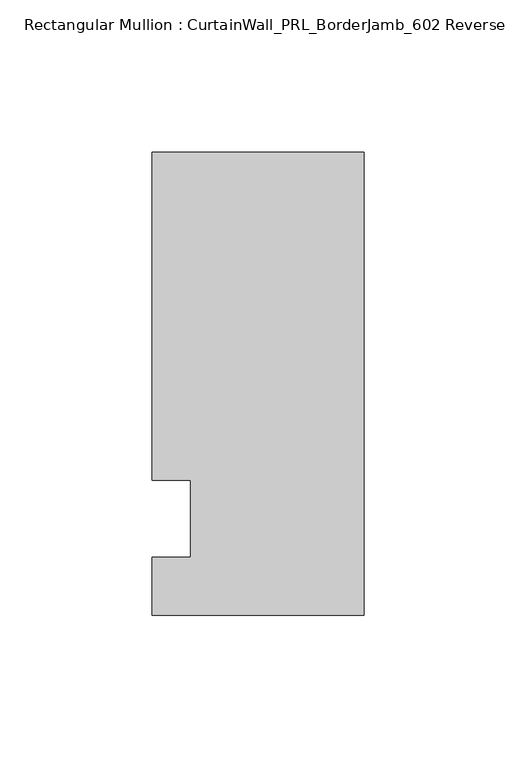
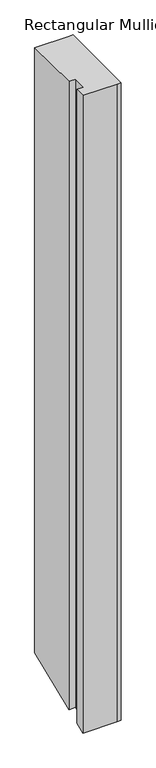
"""IFC4 building model written with IfcOpenShell, lengths in millimetres: member geometry, Rectangular Mullion : CurtainWall_PRL_BorderJamb_602 Reverse."""

from ifc_helpers import new_model, si_unit, origin, place, context, project, spatial, faceted_brep, source, transform, mapped, element, save


def rectangular_mullion_curtainwall_prl_borderjamb_602_reverse_f491021a(model_context):
    return source(origin(), model_context, "Body", "Brep", [
        faceted_brep([(-57.15, 12.7, 0.0), (-57.15, -12.7, 0.0), (-69.85, -12.7, 0.0), (-69.85, -31.75, 0.0), (-7.3958824, -31.75, 0.0), (0.0, -31.75, 0.0), (0.0, 120.65, 0.0), (-6.35, 120.65, 0.0), (-69.85, 120.65, 0.0), (-69.85, 12.7, 0.0), (-57.15, 12.7, -1213.9394878), (-57.15, -12.7, -1224.4605122), (-69.85, -12.7, -1224.4605122), (-69.85, -31.75, -1232.3512806), (-7.3958824, -31.75, -1232.3512806), (0.0, -31.75, -1232.3512806), (0.0, 120.65, -1169.2251337), (-6.35, 120.65, -1169.2251337), (-69.85, 120.65, -1169.2251337), (-69.85, 12.7, -1213.9394878)], [[[0, 1, 2, 3, 4, 5, 6, 7, 8, 9]], [[1, 0, 10, 11]], [[2, 1, 11, 12]], [[3, 2, 12, 13]], [[4, 3, 13, 14]], [[5, 4, 14, 15]], [[6, 5, 15, 16]], [[7, 6, 16, 17]], [[8, 7, 17, 18]], [[9, 8, 18, 19]], [[0, 9, 19, 10]], [[10, 19, 18, 17, 16, 15, 14, 13, 12, 11]]]),
    ])


if __name__ == "__main__":
    model = new_model("IFC4")
    model_context = context("Model", 3, world=origin())
    ifc_project = project(units=[si_unit("LENGTHUNIT", "METRE", prefix="MILLI")], contexts=[model_context])
    site = spatial("IfcSite", under=ifc_project)
    building = spatial("IfcBuilding", under=site)
    placement = place(None, origin())
    rectangular_mullion_curtainwall_prl_borderjamb_602_reverse_shape = rectangular_mullion_curtainwall_prl_borderjamb_602_reverse_f491021a(model_context)
    element("IfcMember", 1, ObjectType="Rectangular Mullion : CurtainWall_PRL_BorderJamb_602 Reverse", at=placement, inside=building, context=model_context, shape_type="MappedRepresentation", body=[
        mapped(rectangular_mullion_curtainwall_prl_borderjamb_602_reverse_shape, transform((0.0, 0.0, 0.0), x_axis=(1.0, 0.0, 0.0), y_axis=(0.0, 1.0, 0.0), z_axis=(0.0, 0.0, 1.0))),
    ])
    save(model, "model.ifc")
